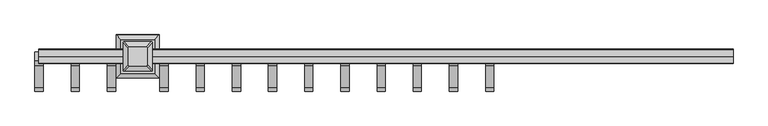
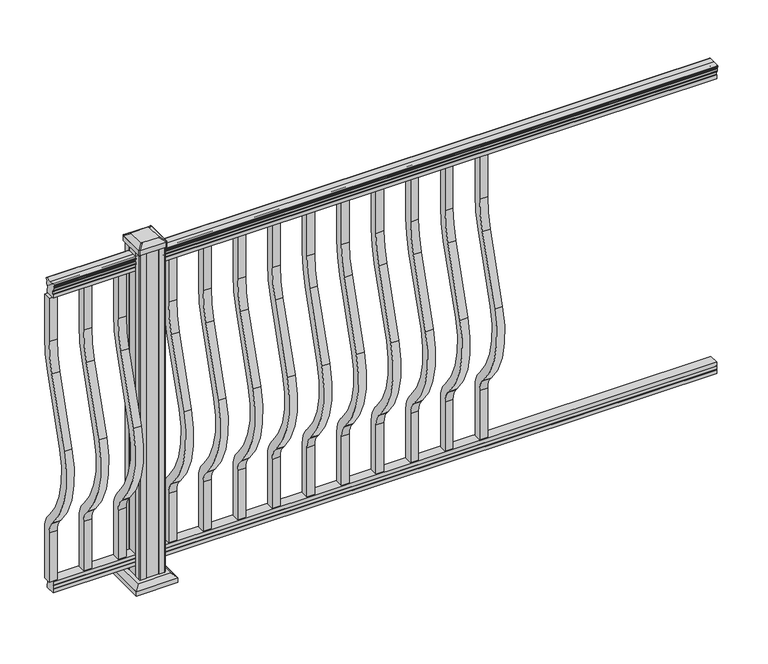
"""IFC4 building model written with IfcOpenShell, lengths in millimetres: railing geometry."""

from ifc_helpers import new_model, si_unit, point, frame, frame_2d, origin, origin_with_axes, place, context, project, spatial, polyline, circle_curve, trimmed, segment, composite_curve, outline, extrude, faceted_brep, source, transform, mapped, element, save
from ifc_brep_helpers import plane_surface, cylinder_surface, revolved_surface, extruded_surface, advanced_brep


def railing_692e8bc5(model_context):
    return source(origin(), model_context, "Body", "SolidModel", [
        advanced_brep(
        [(18974.7598713, -48680.1992427, 1090.8043297), (18974.7598713, -48677.625414, 1090.8043297), (18974.7598713, -48677.625414, 1080.147013), (18974.7598713, -48678.641414, 1079.131013), (18974.7598713, -48678.641414, 1066.8), (18974.7598713, -48646.891414, 1066.8), (18974.7598713, -48646.891414, 1079.2888283), (18974.7598713, -48647.907414, 1080.3048283), (18974.7598713, -48647.907414, 1090.8043297), (18974.7598713, -48645.3335853, 1090.8043297), (18974.7598713, -48645.3335853, 1092.692412), (18974.7598713, -48644.203399, 1094.2546695), (18974.7598713, -48644.203399, 1101.4726458), (18974.7598713, -48644.8526554, 1103.9060812), (18974.7598713, -48642.3526554, 1108.2362083), (18974.7598713, -48640.9433129, 1109.9157972), (18974.7598713, -48640.5414139, 1111.0205318), (18974.7598713, -48640.541414, 1112.3608158), (18974.7598713, -48642.0948612, 1113.914263), (18974.7598713, -48662.766414, 1113.914263), (18974.7598713, -48683.4379668, 1113.914263), (18974.7598713, -48684.991414, 1112.3608158), (18974.7598713, -48684.991414, 1111.0205318), (18974.7598713, -48684.5895151, 1109.9157972), (18974.7598713, -48683.1801726, 1108.2362083), (18974.7598713, -48680.6801726, 1103.9060812), (18974.7598713, -48681.329429, 1101.4726458), (18974.7598713, -48681.329429, 1094.2546695), (18974.7598713, -48680.1992427, 1092.692412), (16841.1598713, -48680.1992427, 1090.8043297), (16841.1598713, -48680.1992427, 1092.692412), (16841.1598713, -48681.329429, 1094.2546695), (16841.1598713, -48681.329429, 1101.4726458), (16841.1598713, -48680.6801726, 1103.9060812), (16841.1598713, -48683.1801726, 1108.2362083), (16841.1598713, -48684.5895151, 1109.9157972), (16841.1598713, -48684.9914141, 1111.0205318), (16841.1598713, -48684.991414, 1112.3608158), (16841.1598713, -48683.4379668, 1113.914263), (16841.1598713, -48662.766414, 1113.914263), (16841.1598713, -48642.0948612, 1113.914263), (16841.1598713, -48640.541414, 1112.3608158), (16841.1598713, -48640.541414, 1111.0205318), (16841.1598713, -48640.9433129, 1109.9157972), (16841.1598713, -48642.3526554, 1108.2362083), (16841.1598713, -48644.8526554, 1103.9060812), (16841.1598713, -48644.203399, 1101.4726458), (16841.1598713, -48644.203399, 1094.2546695), (16841.1598713, -48645.3335853, 1092.692412), (16841.1598713, -48645.3335853, 1090.8043297), (16841.1598713, -48647.907414, 1090.8043297), (16841.1598713, -48647.907414, 1080.3048283), (16841.1598713, -48646.891414, 1079.2888283), (16841.1598713, -48646.891414, 1066.8), (16841.1598713, -48678.641414, 1066.8), (16841.1598713, -48678.641414, 1079.131013), (16841.1598713, -48677.625414, 1080.147013), (16841.1598713, -48677.625414, 1090.8043297)],
        [
            (0, 1, circle_curve(frame((18974.7598713, -48678.9123284, 1090.8043297), z_axis=(1.0, 0.0, 0.0), x_axis=(0.0, 1.0, 0.0)), 1.2869144)),
            (1, 2),
            (2, 3),
            (3, 4),
            (4, 5),
            (5, 6),
            (6, 7),
            (7, 8),
            (8, 9, circle_curve(frame((18974.7598713, -48646.6204996, 1090.8043297), z_axis=(1.0, 0.0, 0.0), x_axis=(0.0, -1.0, 0.0)), 1.2869144)),
            (9, 10),
            (10, 11, circle_curve(frame((18974.7598713, -48651.6483386, 1098.4506383), z_axis=(1.0, 0.0, 0.0), x_axis=(0.0, -1.0, 0.0)), 8.545951)),
            (11, 12, circle_curve(frame((18974.7598713, -48651.2112756, 1097.8636577), z_axis=(1.0, 0.0, 0.0), x_axis=(0.0, -1.0, 0.0)), 7.882584)),
            (12, 13, circle_curve(frame((18974.7598713, -48640.6979515, 1103.7112527), z_axis=(-1.0, 0.0, 0.0), x_axis=(0.0, -1.0, 0.0)), 4.1592695)),
            (13, 14, circle_curve(frame((18974.7598713, -48639.4106449, 1103.6508864), z_axis=(-1.0, 0.0, 0.0), x_axis=(0.0, -1.0, 0.0)), 5.4479907)),
            (14, 15, circle_curve(frame((18974.7598713, -48640.6438033, 1108.233395), z_axis=(-1.0, 0.0, 0.0), x_axis=(0.0, -1.0, 0.0)), 1.7088543)),
            (15, 16, circle_curve(frame((18974.7598713, -48642.2607034, 1111.0205318), z_axis=(1.0, 0.0, 0.0), x_axis=(0.0, -1.0, 0.0)), 1.7192895)),
            (16, 17),
            (17, 18, circle_curve(frame((18974.7598713, -48642.0948612, 1112.3608158), z_axis=(1.0, 0.0, 0.0), x_axis=(0.0, -1.0, 0.0)), 1.5534472)),
            (18, 19),
            (19, 20),
            (20, 21, circle_curve(frame((18974.7598713, -48683.4379668, 1112.3608158), z_axis=(1.0, 0.0, 0.0), x_axis=(0.0, 1.0, 0.0)), 1.5534472)),
            (21, 22),
            (22, 23, circle_curve(frame((18974.7598713, -48683.2721246, 1111.0205318), z_axis=(1.0, 0.0, 0.0), x_axis=(0.0, 1.0, 0.0)), 1.7192895)),
            (23, 24, circle_curve(frame((18974.7598713, -48684.8890247, 1108.233395), z_axis=(-1.0, 0.0, 0.0), x_axis=(0.0, 1.0, 0.0)), 1.7088543)),
            (24, 25, circle_curve(frame((18974.7598713, -48686.1221831, 1103.6508864), z_axis=(-1.0, 0.0, 0.0), x_axis=(0.0, 1.0, 0.0)), 5.4479907)),
            (25, 26, circle_curve(frame((18974.7598713, -48684.8348766, 1103.7112527), z_axis=(-1.0, 0.0, 0.0), x_axis=(0.0, 1.0, 0.0)), 4.1592695)),
            (26, 27, circle_curve(frame((18974.7598713, -48674.3215524, 1097.8636577), z_axis=(1.0, 0.0, 0.0), x_axis=(0.0, 1.0, 0.0)), 7.882584)),
            (27, 28, circle_curve(frame((18974.7598713, -48673.8844895, 1098.4506383), z_axis=(1.0, 0.0, 0.0), x_axis=(0.0, 1.0, 0.0)), 8.545951)),
            (28, 0),
            (29, 30),
            (30, 31, circle_curve(frame((16841.1598713, -48673.8844895, 1098.4506383), z_axis=(-1.0, 0.0, 0.0), x_axis=(0.0, 1.0, 0.0)), 8.545951)),
            (31, 32, circle_curve(frame((16841.1598713, -48674.3215524, 1097.8636577), z_axis=(-1.0, 0.0, 0.0), x_axis=(0.0, 1.0, 0.0)), 7.882584)),
            (32, 33, circle_curve(frame((16841.1598713, -48684.8348766, 1103.7112527), z_axis=(1.0, 0.0, 0.0), x_axis=(0.0, 1.0, 0.0)), 4.1592695)),
            (33, 34, circle_curve(frame((16841.1598713, -48686.1221831, 1103.6508864), z_axis=(1.0, 0.0, 0.0), x_axis=(0.0, 1.0, 0.0)), 5.4479907)),
            (34, 35, circle_curve(frame((16841.1598713, -48684.8890247, 1108.233395), z_axis=(1.0, 0.0, 0.0), x_axis=(0.0, 1.0, 0.0)), 1.7088543)),
            (35, 36, circle_curve(frame((16841.1598713, -48683.2721246, 1111.0205318), z_axis=(-1.0, 0.0, 0.0), x_axis=(0.0, 1.0, 0.0)), 1.7192895)),
            (36, 37),
            (37, 38, circle_curve(frame((16841.1598713, -48683.4379668, 1112.3608158), z_axis=(-1.0, 0.0, 0.0), x_axis=(0.0, 1.0, 0.0)), 1.5534472)),
            (38, 39),
            (39, 40),
            (40, 41, circle_curve(frame((16841.1598713, -48642.0948612, 1112.3608158), z_axis=(-1.0, 0.0, 0.0), x_axis=(0.0, -1.0, 0.0)), 1.5534472)),
            (41, 42),
            (42, 43, circle_curve(frame((16841.1598713, -48642.2607034, 1111.0205318), z_axis=(-1.0, 0.0, 0.0), x_axis=(0.0, -1.0, 0.0)), 1.7192895)),
            (43, 44, circle_curve(frame((16841.1598713, -48640.6438033, 1108.233395), z_axis=(1.0, 0.0, 0.0), x_axis=(0.0, -1.0, 0.0)), 1.7088543)),
            (44, 45, circle_curve(frame((16841.1598713, -48639.4106449, 1103.6508864), z_axis=(1.0, 0.0, 0.0), x_axis=(0.0, -1.0, 0.0)), 5.4479907)),
            (45, 46, circle_curve(frame((16841.1598713, -48640.6979515, 1103.7112527), z_axis=(1.0, 0.0, 0.0), x_axis=(0.0, -1.0, 0.0)), 4.1592695)),
            (46, 47, circle_curve(frame((16841.1598713, -48651.2112756, 1097.8636577), z_axis=(-1.0, 0.0, 0.0), x_axis=(0.0, -1.0, 0.0)), 7.882584)),
            (47, 48, circle_curve(frame((16841.1598713, -48651.6483386, 1098.4506383), z_axis=(-1.0, 0.0, 0.0), x_axis=(0.0, -1.0, 0.0)), 8.545951)),
            (48, 49),
            (49, 50, circle_curve(frame((16841.1598713, -48646.6204996, 1090.8043297), z_axis=(-1.0, 0.0, 0.0), x_axis=(0.0, -1.0, 0.0)), 1.2869144)),
            (50, 51),
            (51, 52),
            (52, 53),
            (53, 54),
            (54, 55),
            (55, 56),
            (56, 57),
            (57, 29, circle_curve(frame((16841.1598713, -48678.9123284, 1090.8043297), z_axis=(-1.0, 0.0, 0.0), x_axis=(0.0, 1.0, 0.0)), 1.2869144)),
            (0, 29),
            (57, 1),
            (56, 2),
            (55, 3),
            (54, 4),
            (53, 5),
            (52, 6),
            (51, 7),
            (50, 8),
            (49, 9),
            (48, 10),
            (47, 11),
            (46, 12),
            (45, 13),
            (44, 14),
            (43, 15),
            (42, 16),
            (41, 17),
            (40, 18),
            (39, 19),
            (38, 20),
            (37, 21),
            (36, 22),
            (35, 23),
            (34, 24),
            (33, 25),
            (32, 26),
            (31, 27),
            (30, 28),
        ],
        [
            plane_surface(frame((18974.7598713, -48662.766414, 1066.8), z_axis=(1.0, 0.0, 0.0), x_axis=(0.0, -1.0, 0.0))),
            plane_surface(frame((16841.1598713, -48662.766414, 1066.8), z_axis=(-1.0, 0.0, 0.0), x_axis=(0.0, -1.0, 0.0))),
            cylinder_surface(frame((18974.7598713, -48678.9123284, 1090.8043297), z_axis=(1.0, 0.0, 0.0), x_axis=(0.0, 1.0, 0.0)), 1.2869144),
            plane_surface(frame((18974.7598713, -48677.625414, 1090.8043297), z_axis=(0.0, -1.0, 0.0), x_axis=(-1.0, 0.0, 0.0))),
            plane_surface(frame((18974.7598713, -48677.625414, 1080.147013), z_axis=(0.0, -0.7071067811865395, 0.7071067811865556), x_axis=(-1.0, 0.0, 0.0))),
            plane_surface(frame((18974.7598713, -48678.641414, 1079.131013), z_axis=(0.0, -1.0, 0.0), x_axis=(-1.0, 0.0, 0.0))),
            plane_surface(frame((18974.7598713, -48678.641414, 1066.8), z_axis=(0.0, 0.0, -1.0), x_axis=(-1.0, 0.0, 0.0))),
            plane_surface(frame((18974.7598713, -48646.891414, 1066.8), z_axis=(0.0, 1.0, 0.0), x_axis=(-1.0, 0.0, 0.0))),
            plane_surface(frame((18974.7598713, -48646.891414, 1079.2888283), z_axis=(0.0, 0.7071067811865432, 0.707106781186552), x_axis=(-1.0, 0.0, 0.0))),
            plane_surface(frame((18974.7598713, -48647.907414, 1080.3048283), z_axis=(0.0, 1.0, 0.0), x_axis=(-1.0, 0.0, 0.0))),
            cylinder_surface(frame((18974.7598713, -48646.6204996, 1090.8043297), z_axis=(1.0, 0.0, 0.0), x_axis=(0.0, -1.0, 0.0)), 1.2869144),
            plane_surface(frame((18974.7598713, -48645.3335853, 1090.8043297), z_axis=(0.0, 1.0, 0.0), x_axis=(-1.0, 0.0, 0.0))),
            cylinder_surface(frame((18974.7598713, -48651.6483386, 1098.4506383), z_axis=(1.0, 0.0, 0.0), x_axis=(0.0, -1.0, 0.0)), 8.545951),
            cylinder_surface(frame((18974.7598713, -48651.2112756, 1097.8636577), z_axis=(1.0, 0.0, 0.0), x_axis=(0.0, -1.0, 0.0)), 7.882584),
            revolved_surface(polyline([(16841.1598713, -48644.857221, 1103.7112527), (18974.7598713, -48644.857221, 1103.7112527)]), (18974.7598713, -48640.6979515, 1103.7112527), (-1.0, 0.0, 0.0)),
            revolved_surface(polyline([(16841.1598713, -48644.8586356, 1103.6508864), (18974.7598713, -48644.8586356, 1103.6508864)]), (18974.7598713, -48639.4106449, 1103.6508864), (-1.0, 0.0, 0.0)),
            revolved_surface(polyline([(16841.1598713, -48642.3526576, 1108.233395), (18974.7598713, -48642.3526576, 1108.233395)]), (18974.7598713, -48640.6438033, 1108.233395), (-1.0, 0.0, 0.0)),
            cylinder_surface(frame((18974.7598713, -48642.2607034, 1111.0205318), z_axis=(1.0, 0.0, 0.0), x_axis=(0.0, -1.0, 0.0)), 1.7192895),
            plane_surface(frame((18974.7598713, -48640.541414, 1111.0205318), z_axis=(0.0, 1.0, 0.0), x_axis=(-1.0, 0.0, 0.0))),
            cylinder_surface(frame((18974.7598713, -48642.0948612, 1112.3608158), z_axis=(1.0, 0.0, 0.0), x_axis=(0.0, -1.0, 0.0)), 1.5534472),
            plane_surface(frame((18974.7598713, -48642.0948612, 1113.914263), z_axis=(0.0, 0.0, 1.0), x_axis=(-1.0, 0.0, 0.0))),
            plane_surface(frame((18974.7598713, -48662.766414, 1113.914263), z_axis=(0.0, 0.0, 1.0), x_axis=(-1.0, 0.0, 0.0))),
            cylinder_surface(frame((18974.7598713, -48683.4379668, 1112.3608158), z_axis=(1.0, 0.0, 0.0), x_axis=(0.0, 1.0, 0.0)), 1.5534472),
            plane_surface(frame((18974.7598713, -48684.991414, 1112.3608158), z_axis=(0.0, -1.0, 0.0), x_axis=(-1.0, 0.0, 0.0))),
            cylinder_surface(frame((18974.7598713, -48683.2721246, 1111.0205318), z_axis=(1.0, 0.0, 0.0), x_axis=(0.0, 1.0, 0.0)), 1.7192895),
            revolved_surface(polyline([(16841.1598713, -48683.1801704, 1108.233395), (18974.7598713, -48683.1801704, 1108.233395)]), (18974.7598713, -48684.8890247, 1108.233395), (-1.0, 0.0, 0.0)),
            revolved_surface(polyline([(16841.1598713, -48680.6741924, 1103.6508864), (18974.7598713, -48680.6741924, 1103.6508864)]), (18974.7598713, -48686.1221831, 1103.6508864), (-1.0, 0.0, 0.0)),
            revolved_surface(polyline([(16841.1598713, -48680.6756071, 1103.7112527), (18974.7598713, -48680.6756071, 1103.7112527)]), (18974.7598713, -48684.8348766, 1103.7112527), (-1.0, 0.0, 0.0)),
            cylinder_surface(frame((18974.7598713, -48674.3215524, 1097.8636577), z_axis=(1.0, 0.0, 0.0), x_axis=(0.0, 1.0, 0.0)), 7.882584),
            cylinder_surface(frame((18974.7598713, -48673.8844895, 1098.4506383), z_axis=(1.0, 0.0, 0.0), x_axis=(0.0, 1.0, 0.0)), 8.545951),
            plane_surface(frame((18974.7598713, -48680.1992427, 1092.692412), z_axis=(0.0, -1.0, 0.0), x_axis=(-1.0, 0.0, 0.0))),
        ],
        [
            (0, [[1, 2, 3, 4, 5, 6, 7, 8, 9, 10, 11, 12, 13, 14, 15, 16, 17, 18, 19, 20, 21, 22, 23, 24, 25, 26, 27, 28, 29]]),
            (1, [[30, 31, 32, 33, 34, 35, 36, 37, 38, 39, 40, 41, 42, 43, 44, 45, 46, 47, 48, 49, 50, 51, 52, 53, 54, 55, 56, 57, 58]]),
            (2, [[-1, 59, -58, 60]]),
            (3, [[-2, -60, -57, 61]]),
            (4, [[-3, -61, -56, 62]]),
            (5, [[-4, -62, -55, 63]]),
            (6, [[-5, -63, -54, 64]]),
            (7, [[-6, -64, -53, 65]]),
            (8, [[-7, -65, -52, 66]]),
            (9, [[-8, -66, -51, 67]]),
            (10, [[-9, -67, -50, 68]]),
            (11, [[-10, -68, -49, 69]]),
            (12, [[-11, -69, -48, 70]]),
            (13, [[-12, -70, -47, 71]]),
            (14, [[-13, -71, -46, 72]]),
            (15, [[-14, -72, -45, 73]]),
            (16, [[-15, -73, -44, 74]]),
            (17, [[-16, -74, -43, 75]]),
            (18, [[-17, -75, -42, 76]]),
            (19, [[-18, -76, -41, 77]]),
            (20, [[-19, -77, -40, 78]]),
            (21, [[-20, -78, -39, 79]]),
            (22, [[-21, -79, -38, 80]]),
            (23, [[-22, -80, -37, 81]]),
            (24, [[-23, -81, -36, 82]]),
            (25, [[-24, -82, -35, 83]]),
            (26, [[-25, -83, -34, 84]]),
            (27, [[-26, -84, -33, 85]]),
            (28, [[-27, -85, -32, 86]]),
            (29, [[-28, -86, -31, 87]]),
            (30, [[-29, -87, -30, -59]]),
        ],
    ),
        faceted_brep([(18974.7598713, -48678.6789009, 76.0541976), (18974.7598713, -48678.6789009, 63.5), (18974.7598713, -48646.9289009, 63.5), (18974.7598713, -48646.9289009, 76.0375508), (18974.7598713, -48647.9449009, 77.3858283), (18974.7598713, -48647.9449009, 87.6975248), (18974.7598713, -48646.9289009, 89.0458024), (18974.7598713, -48646.9289009, 101.5958781), (18974.7598713, -48678.6789009, 101.5958781), (18974.7598713, -48678.6789009, 89.0624492), (18974.7598713, -48677.6629009, 87.7141717), (18974.7598713, -48677.6629009, 77.3546183), (16841.1598713, -48678.6789009, 76.0541976), (16841.1598713, -48677.6629009, 77.3546183), (16841.1598713, -48677.6629009, 87.7141717), (16841.1598713, -48678.6789009, 89.0624492), (16841.1598713, -48678.6789009, 101.5958781), (16841.1598713, -48646.9289009, 101.5958781), (16841.1598713, -48646.9289009, 89.0458024), (16841.1598713, -48647.9449009, 87.6975248), (16841.1598713, -48647.9449009, 77.3858283), (16841.1598713, -48646.9289009, 76.0375508), (16841.1598713, -48646.9289009, 63.5), (16841.1598713, -48678.6789009, 63.5)], [[[0, 1, 2, 3, 4, 5, 6, 7, 8, 9, 10, 11]], [[12, 13, 14, 15, 16, 17, 18, 19, 20, 21, 22, 23]], [[1, 0, 12, 23]], [[2, 1, 23, 22]], [[3, 2, 22, 21]], [[4, 3, 21, 20]], [[5, 4, 20, 19]], [[6, 5, 19, 18]], [[7, 6, 18, 17]], [[8, 7, 17, 16]], [[9, 8, 16, 15]], [[10, 9, 15, 14]], [[11, 10, 14, 13]], [[0, 11, 13, 12]]]),
        extrude(outline(composite_curve([segment(trimmed(circle_curve(frame_2d((-49022.766414, 921.03216)), 372.7), [point((-48650.066414, 921.03216))], [point((-48666.3516315, 812.0652257))], False, "CARTESIAN"), True, "CONTINUOUS"), segment(polyline([(-48666.3516315, 812.0652257), (-48734.1789093, 590.2121964)]), True, "CONTINUOUS"), segment(trimmed(circle_curve(frame_2d((-48478.558648, 512.0612397)), 267.3), [point((-48734.1789093, 590.2121964))], [point((-48677.8736709, 333.9522516))], True, "CARTESIAN"), True, "CONTINUOUS"), segment(polyline([(-48677.8736709, 333.9522516), (-48672.3719976, 327.7955374)]), True, "CONTINUOUS"), segment(trimmed(circle_curve(frame_2d((-48737.766414, 269.3587313)), 87.7), [point((-48672.3719976, 327.7955374))], [point((-48650.066414, 269.3587313))], False, "CARTESIAN"), True, "CONTINUOUS"), segment(polyline([(-48650.066414, 269.3587313), (-48650.066414, 101.5958781), (-48675.466414, 101.5958781), (-48675.466414, 269.3587313)]), True, "CONTINUOUS"), segment(trimmed(circle_curve(frame_2d((-48737.766414, 269.3587313)), 62.3), [point((-48675.466414, 269.3587313))], [point((-48691.3117716, 310.8708524))], True, "CARTESIAN"), True, "CONTINUOUS"), segment(polyline([(-48691.3117716, 310.8708524), (-48696.8134448, 317.0275666)]), True, "CONTINUOUS"), segment(trimmed(circle_curve(frame_2d((-48478.558648, 512.0612397)), 292.7), [point((-48696.8134448, 317.0275666))], [point((-48758.4690501, 597.6384377))], False, "CARTESIAN"), True, "CONTINUOUS"), segment(polyline([(-48758.4690501, 597.6384377), (-48690.6417723, 819.491467)]), True, "CONTINUOUS"), segment(trimmed(circle_curve(frame_2d((-49022.766414, 921.03216)), 347.3), [point((-48690.6417723, 819.491467))], [point((-48675.466414, 921.03216))], True, "CARTESIAN"), True, "CONTINUOUS"), segment(polyline([(-48675.466414, 921.03216), (-48675.466414, 1066.8), (-48650.066414, 1066.8), (-48650.066414, 921.03216)]), True, "CONTINUOUS")], self_intersect=False)), frame((16830.0473713, 0.0, 0.0), z_axis=(1.0, 0.0, 0.0), x_axis=(0.0, 1.0, 0.0)), (0.0, 0.0, 1.0), 25.4),
        extrude(outline(composite_curve([segment(trimmed(circle_curve(frame_2d((-49022.766414, 921.03216)), 372.7), [point((-48650.066414, 921.03216))], [point((-48666.3516315, 812.0652257))], False, "CARTESIAN"), True, "CONTINUOUS"), segment(polyline([(-48666.3516315, 812.0652257), (-48734.1789093, 590.2121964)]), True, "CONTINUOUS"), segment(trimmed(circle_curve(frame_2d((-48478.558648, 512.0612397)), 267.3), [point((-48734.1789093, 590.2121964))], [point((-48677.8736709, 333.9522516))], True, "CARTESIAN"), True, "CONTINUOUS"), segment(polyline([(-48677.8736709, 333.9522516), (-48672.3719976, 327.7955374)]), True, "CONTINUOUS"), segment(trimmed(circle_curve(frame_2d((-48737.766414, 269.3587313)), 87.7), [point((-48672.3719976, 327.7955374))], [point((-48650.066414, 269.3587313))], False, "CARTESIAN"), True, "CONTINUOUS"), segment(polyline([(-48650.066414, 269.3587313), (-48650.066414, 101.5958781), (-48675.466414, 101.5958781), (-48675.466414, 269.3587313)]), True, "CONTINUOUS"), segment(trimmed(circle_curve(frame_2d((-48737.766414, 269.3587313)), 62.3), [point((-48675.466414, 269.3587313))], [point((-48691.3117716, 310.8708524))], True, "CARTESIAN"), True, "CONTINUOUS"), segment(polyline([(-48691.3117716, 310.8708524), (-48696.8134448, 317.0275666)]), True, "CONTINUOUS"), segment(trimmed(circle_curve(frame_2d((-48478.558648, 512.0612397)), 292.7), [point((-48696.8134448, 317.0275666))], [point((-48758.4690501, 597.6384377))], False, "CARTESIAN"), True, "CONTINUOUS"), segment(polyline([(-48758.4690501, 597.6384377), (-48690.6417723, 819.491467)]), True, "CONTINUOUS"), segment(trimmed(circle_curve(frame_2d((-49022.766414, 921.03216)), 347.3), [point((-48690.6417723, 819.491467))], [point((-48675.466414, 921.03216))], True, "CARTESIAN"), True, "CONTINUOUS"), segment(polyline([(-48675.466414, 921.03216), (-48675.466414, 1066.8), (-48650.066414, 1066.8), (-48650.066414, 921.03216)]), True, "CONTINUOUS")], self_intersect=False)), frame((16941.1723713, 0.0, 0.0), z_axis=(1.0, 0.0, 0.0), x_axis=(0.0, 1.0, 0.0)), (0.0, 0.0, 1.0), 25.4),
        extrude(outline(composite_curve([segment(trimmed(circle_curve(frame_2d((-49022.766414, 921.03216)), 372.7), [point((-48650.066414, 921.03216))], [point((-48666.3516315, 812.0652257))], False, "CARTESIAN"), True, "CONTINUOUS"), segment(polyline([(-48666.3516315, 812.0652257), (-48734.1789093, 590.2121964)]), True, "CONTINUOUS"), segment(trimmed(circle_curve(frame_2d((-48478.558648, 512.0612397)), 267.3), [point((-48734.1789093, 590.2121964))], [point((-48677.8736709, 333.9522516))], True, "CARTESIAN"), True, "CONTINUOUS"), segment(polyline([(-48677.8736709, 333.9522516), (-48672.3719976, 327.7955374)]), True, "CONTINUOUS"), segment(trimmed(circle_curve(frame_2d((-48737.766414, 269.3587313)), 87.7), [point((-48672.3719976, 327.7955374))], [point((-48650.066414, 269.3587313))], False, "CARTESIAN"), True, "CONTINUOUS"), segment(polyline([(-48650.066414, 269.3587313), (-48650.066414, 101.5958781), (-48675.466414, 101.5958781), (-48675.466414, 269.3587313)]), True, "CONTINUOUS"), segment(trimmed(circle_curve(frame_2d((-48737.766414, 269.3587313)), 62.3), [point((-48675.466414, 269.3587313))], [point((-48691.3117716, 310.8708524))], True, "CARTESIAN"), True, "CONTINUOUS"), segment(polyline([(-48691.3117716, 310.8708524), (-48696.8134448, 317.0275666)]), True, "CONTINUOUS"), segment(trimmed(circle_curve(frame_2d((-48478.558648, 512.0612397)), 292.7), [point((-48696.8134448, 317.0275666))], [point((-48758.4690501, 597.6384377))], False, "CARTESIAN"), True, "CONTINUOUS"), segment(polyline([(-48758.4690501, 597.6384377), (-48690.6417723, 819.491467)]), True, "CONTINUOUS"), segment(trimmed(circle_curve(frame_2d((-49022.766414, 921.03216)), 347.3), [point((-48690.6417723, 819.491467))], [point((-48675.466414, 921.03216))], True, "CARTESIAN"), True, "CONTINUOUS"), segment(polyline([(-48675.466414, 921.03216), (-48675.466414, 1066.8), (-48650.066414, 1066.8), (-48650.066414, 921.03216)]), True, "CONTINUOUS")], self_intersect=False)), frame((17052.2973713, 0.0, 0.0), z_axis=(1.0, 0.0, 0.0), x_axis=(0.0, 1.0, 0.0)), (0.0, 0.0, 1.0), 25.4),
        faceted_brep([(17198.5458088, -48715.3523515, 28.575), (17198.5458088, -48610.1804765, 28.575), (17093.3739338, -48610.1804765, 28.575), (17093.3739338, -48715.3523515, 28.575), (17212.585262, -48729.3918046, 15.24), (17079.3344807, -48729.3918046, 15.24), (17079.3344807, -48596.1410234, 15.24), (17212.585262, -48596.1410234, 15.24)], [[[0, 1, 2, 3]], [[4, 5, 6, 7]], [[4, 7, 1, 0]], [[7, 6, 2, 1]], [[6, 5, 3, 2]], [[5, 4, 0, 3]]]),
        extrude(outline(polyline([(17212.585262, -48729.3918046), (17079.3344807, -48729.3918046), (17079.3344807, -48596.1410234), (17212.585262, -48596.1410234), (17212.585262, -48729.3918046)])), origin_with_axes(), (0.0, 0.0, 1.0), 15.24),
        advanced_brep(
        [(17174.9317463, -48636.969539, 1165.225), (17171.7567463, -48633.794539, 1165.225), (17120.1629963, -48633.794539, 1165.225), (17116.9879963, -48636.969539, 1165.225), (17116.9879963, -48688.563289, 1165.225), (17120.1629963, -48691.738289, 1165.225), (17171.7567463, -48691.738289, 1165.225), (17174.9317463, -48688.563289, 1165.225), (17191.2036213, -48620.697664, 1153.922), (17191.2036213, -48704.835164, 1153.922), (17188.0286213, -48708.010164, 1153.922), (17103.8911213, -48708.010164, 1153.922), (17100.7161213, -48704.835164, 1153.922), (17100.7161213, -48620.697664, 1153.922), (17103.8911213, -48617.522664, 1153.922), (17188.0286213, -48617.522664, 1153.922)],
        [
            (0, 1, circle_curve(frame((17171.7567463, -48636.969539, 1165.225), z_axis=(0.0, 0.0, 1.0), x_axis=(-1.0, 0.0, 0.0)), 3.175)),
            (1, 2),
            (2, 3, circle_curve(frame((17120.1629963, -48636.969539, 1165.225), z_axis=(0.0, 0.0, 1.0), x_axis=(-1.0, 0.0, 0.0)), 3.175)),
            (3, 4),
            (4, 5, circle_curve(frame((17120.1629963, -48688.563289, 1165.225), z_axis=(0.0, 0.0, 1.0), x_axis=(-1.0, 0.0, 0.0)), 3.175)),
            (5, 6),
            (6, 7, circle_curve(frame((17171.7567463, -48688.563289, 1165.225), z_axis=(0.0, 0.0, 1.0), x_axis=(-1.0, 0.0, 0.0)), 3.175)),
            (7, 0),
            (8, 9),
            (9, 10, circle_curve(frame((17188.0286213, -48704.835164, 1153.922), z_axis=(0.0, 0.0, -1.0), x_axis=(-1.0, 0.0, 0.0)), 3.175)),
            (10, 11),
            (11, 12, circle_curve(frame((17103.8911213, -48704.835164, 1153.922), z_axis=(0.0, 0.0, -1.0), x_axis=(-1.0, 0.0, 0.0)), 3.175)),
            (12, 13),
            (13, 14, circle_curve(frame((17103.8911213, -48620.697664, 1153.922), z_axis=(0.0, 0.0, -1.0), x_axis=(-1.0, 0.0, 0.0)), 3.175)),
            (14, 15),
            (15, 8, circle_curve(frame((17188.0286213, -48620.697664, 1153.922), z_axis=(0.0, 0.0, -1.0), x_axis=(-1.0, 0.0, 0.0)), 3.175)),
            (15, 1),
            (0, 8),
            (14, 2),
            (13, 3),
            (12, 4),
            (11, 5),
            (10, 6),
            (9, 7),
        ],
        [
            plane_surface(frame((17145.9598713, -48662.766414, 1165.225), z_axis=(0.0, 0.0, 1.0), x_axis=(0.0, 1.0, 0.0))),
            plane_surface(frame((17145.9598713, -48662.766414, 1153.922), z_axis=(0.0, 0.0, -1.0), x_axis=(0.0, 1.0, 0.0))),
            extruded_surface(trimmed(circle_curve(frame((17188.0286213, -48620.697664, 1153.922), z_axis=(0.0, 0.0, 1.0), x_axis=(-1.0, 0.0, 0.0)), 3.175), [point((17191.2036213, -48620.697664, 1153.922))], [point((17188.0286213, -48617.522664, 1153.922))], True, "CARTESIAN"), (-16.271874999998545, -16.271874999998545, 11.302999999999884), 25.637972638864262),
            plane_surface(frame((17145.9598713, -48617.522664, 1153.922), z_axis=(0.0, 0.5705009161540777, 0.8212969649690409), x_axis=(-1.0, 0.0, 0.0))),
            extruded_surface(trimmed(circle_curve(frame((17103.8911213, -48620.697664, 1153.922), z_axis=(0.0, 0.0, 1.0), x_axis=(-1.0, 0.0, 0.0)), 3.175), [point((17103.8911213, -48617.522664, 1153.922))], [point((17100.7161213, -48620.697664, 1153.922))], True, "CARTESIAN"), (16.271875000002183, -16.271874999998545, 11.302999999999884), 25.637972638866575),
            plane_surface(frame((17100.7161213, -48662.766414, 1153.922), z_axis=(-0.5705009161540291, 0.0, 0.8212969649690747), x_axis=(0.0, -1.0, 0.0))),
            extruded_surface(trimmed(circle_curve(frame((17103.8911213, -48704.835164, 1153.922), z_axis=(0.0, 0.0, 1.0), x_axis=(-1.0, 0.0, 0.0)), 3.175), [point((17100.7161213, -48704.835164, 1153.922))], [point((17103.8911213, -48708.010164, 1153.922))], True, "CARTESIAN"), (16.271875000002183, 16.271874999998545, 11.302999999999884), 25.637972638866575),
            plane_surface(frame((17145.9598713, -48708.010164, 1153.922), z_axis=(0.0, -0.5705009161540143, 0.821296964969085), x_axis=(1.0, 0.0, 0.0))),
            extruded_surface(trimmed(circle_curve(frame((17188.0286213, -48704.835164, 1153.922), z_axis=(0.0, 0.0, 1.0), x_axis=(-1.0, 0.0, 0.0)), 3.175), [point((17188.0286213, -48708.010164, 1153.922))], [point((17191.2036213, -48704.835164, 1153.922))], True, "CARTESIAN"), (-16.271874999998545, 16.271874999998545, 11.302999999999884), 25.637972638864262),
            plane_surface(frame((17191.2036213, -48662.766414, 1153.922), z_axis=(0.570500916154034, 0.0, 0.8212969649690713), x_axis=(0.0, 1.0, 0.0))),
        ],
        [
            (0, [[1, 2, 3, 4, 5, 6, 7, 8]]),
            (1, [[9, 10, 11, 12, 13, 14, 15, 16]]),
            (2, [[-16, 17, -1, 18]]),
            (3, [[-15, 19, -2, -17]]),
            (4, [[-14, 20, -3, -19]]),
            (5, [[-13, 21, -4, -20]]),
            (6, [[-12, 22, -5, -21]]),
            (7, [[-11, 23, -6, -22]]),
            (8, [[-10, 24, -7, -23]]),
            (9, [[-9, -18, -8, -24]]),
        ],
    ),
        extrude(outline(composite_curve([segment(polyline([(17191.2036213, -48620.697664), (17191.2036213, -48704.835164)]), True, "CONTINUOUS"), segment(trimmed(circle_curve(frame_2d((17188.0286213, -48704.835164)), 3.175), [point((17191.2036213, -48704.835164))], [point((17188.0286213, -48708.010164))], False, "CARTESIAN"), True, "CONTINUOUS"), segment(polyline([(17188.0286213, -48708.010164), (17103.8911213, -48708.010164)]), True, "CONTINUOUS"), segment(trimmed(circle_curve(frame_2d((17103.8911213, -48704.835164)), 3.175), [point((17103.8911213, -48708.010164))], [point((17100.7161213, -48704.835164))], False, "CARTESIAN"), True, "CONTINUOUS"), segment(polyline([(17100.7161213, -48704.835164), (17100.7161213, -48620.697664)]), True, "CONTINUOUS"), segment(trimmed(circle_curve(frame_2d((17103.8911213, -48620.697664)), 3.175), [point((17100.7161213, -48620.697664))], [point((17103.8911213, -48617.522664))], False, "CARTESIAN"), True, "CONTINUOUS"), segment(polyline([(17103.8911213, -48617.522664), (17188.0286213, -48617.522664)]), True, "CONTINUOUS"), segment(trimmed(circle_curve(frame_2d((17188.0286213, -48620.697664)), 3.175), [point((17188.0286213, -48617.522664))], [point((17191.2036213, -48620.697664))], False, "CARTESIAN"), True, "CONTINUOUS")], self_intersect=False)), frame((0.0, 0.0, 1136.65), z_axis=(0.0, 0.0, 1.0), x_axis=(1.0, 0.0, 0.0)), (0.0, 0.0, 1.0), 17.272),
        extrude(outline(polyline([(17187.2348713, -48623.078914), (17187.2348713, -48642.700414), (17185.6473713, -48643.462414), (17185.6473713, -48682.070414), (17187.2348713, -48682.832414), (17187.2348713, -48702.453914), (17185.6473713, -48704.041414), (17166.0258713, -48704.041414), (17165.2638713, -48702.453914), (17126.6558713, -48702.453914), (17125.8938713, -48704.041414), (17106.2723713, -48704.041414), (17104.6848713, -48702.453914), (17104.6848713, -48682.832414), (17106.2723713, -48682.070414), (17106.2723713, -48643.462414), (17104.6848713, -48642.700414), (17104.6848713, -48623.078914), (17106.2723713, -48621.491414), (17125.8938713, -48621.491414), (17126.6558713, -48623.078914), (17165.2638713, -48623.078914), (17166.0258713, -48621.491414), (17185.6473713, -48621.491414), (17187.2348713, -48623.078914)])), origin_with_axes(), (0.0, 0.0, 1.0), 1136.65),
        extrude(outline(composite_curve([segment(trimmed(circle_curve(frame_2d((-49022.766414, 921.03216)), 372.7), [point((-48650.066414, 921.03216))], [point((-48666.3516315, 812.0652257))], False, "CARTESIAN"), True, "CONTINUOUS"), segment(polyline([(-48666.3516315, 812.0652257), (-48734.1789093, 590.2121964)]), True, "CONTINUOUS"), segment(trimmed(circle_curve(frame_2d((-48478.558648, 512.0612397)), 267.3), [point((-48734.1789093, 590.2121964))], [point((-48677.8736709, 333.9522516))], True, "CARTESIAN"), True, "CONTINUOUS"), segment(polyline([(-48677.8736709, 333.9522516), (-48672.3719976, 327.7955374)]), True, "CONTINUOUS"), segment(trimmed(circle_curve(frame_2d((-48737.766414, 269.3587313)), 87.7), [point((-48672.3719976, 327.7955374))], [point((-48650.066414, 269.3587313))], False, "CARTESIAN"), True, "CONTINUOUS"), segment(polyline([(-48650.066414, 269.3587313), (-48650.066414, 101.5958781), (-48675.466414, 101.5958781), (-48675.466414, 269.3587313)]), True, "CONTINUOUS"), segment(trimmed(circle_curve(frame_2d((-48737.766414, 269.3587313)), 62.3), [point((-48675.466414, 269.3587313))], [point((-48691.3117716, 310.8708524))], True, "CARTESIAN"), True, "CONTINUOUS"), segment(polyline([(-48691.3117716, 310.8708524), (-48696.8134448, 317.0275666)]), True, "CONTINUOUS"), segment(trimmed(circle_curve(frame_2d((-48478.558648, 512.0612397)), 292.7), [point((-48696.8134448, 317.0275666))], [point((-48758.4690501, 597.6384377))], False, "CARTESIAN"), True, "CONTINUOUS"), segment(polyline([(-48758.4690501, 597.6384377), (-48690.6417723, 819.491467)]), True, "CONTINUOUS"), segment(trimmed(circle_curve(frame_2d((-49022.766414, 921.03216)), 347.3), [point((-48690.6417723, 819.491467))], [point((-48675.466414, 921.03216))], True, "CARTESIAN"), True, "CONTINUOUS"), segment(polyline([(-48675.466414, 921.03216), (-48675.466414, 1066.8), (-48650.066414, 1066.8), (-48650.066414, 921.03216)]), True, "CONTINUOUS")], self_intersect=False)), frame((17214.2223713, 0.0, 0.0), z_axis=(1.0, 0.0, 0.0), x_axis=(0.0, 1.0, 0.0)), (0.0, 0.0, 1.0), 25.4),
        extrude(outline(composite_curve([segment(trimmed(circle_curve(frame_2d((-49022.766414, 921.03216)), 372.7), [point((-48650.066414, 921.03216))], [point((-48666.3516315, 812.0652257))], False, "CARTESIAN"), True, "CONTINUOUS"), segment(polyline([(-48666.3516315, 812.0652257), (-48734.1789093, 590.2121964)]), True, "CONTINUOUS"), segment(trimmed(circle_curve(frame_2d((-48478.558648, 512.0612397)), 267.3), [point((-48734.1789093, 590.2121964))], [point((-48677.8736709, 333.9522516))], True, "CARTESIAN"), True, "CONTINUOUS"), segment(polyline([(-48677.8736709, 333.9522516), (-48672.3719976, 327.7955374)]), True, "CONTINUOUS"), segment(trimmed(circle_curve(frame_2d((-48737.766414, 269.3587313)), 87.7), [point((-48672.3719976, 327.7955374))], [point((-48650.066414, 269.3587313))], False, "CARTESIAN"), True, "CONTINUOUS"), segment(polyline([(-48650.066414, 269.3587313), (-48650.066414, 101.5958781), (-48675.466414, 101.5958781), (-48675.466414, 269.3587313)]), True, "CONTINUOUS"), segment(trimmed(circle_curve(frame_2d((-48737.766414, 269.3587313)), 62.3), [point((-48675.466414, 269.3587313))], [point((-48691.3117716, 310.8708524))], True, "CARTESIAN"), True, "CONTINUOUS"), segment(polyline([(-48691.3117716, 310.8708524), (-48696.8134448, 317.0275666)]), True, "CONTINUOUS"), segment(trimmed(circle_curve(frame_2d((-48478.558648, 512.0612397)), 292.7), [point((-48696.8134448, 317.0275666))], [point((-48758.4690501, 597.6384377))], False, "CARTESIAN"), True, "CONTINUOUS"), segment(polyline([(-48758.4690501, 597.6384377), (-48690.6417723, 819.491467)]), True, "CONTINUOUS"), segment(trimmed(circle_curve(frame_2d((-49022.766414, 921.03216)), 347.3), [point((-48690.6417723, 819.491467))], [point((-48675.466414, 921.03216))], True, "CARTESIAN"), True, "CONTINUOUS"), segment(polyline([(-48675.466414, 921.03216), (-48675.466414, 1066.8), (-48650.066414, 1066.8), (-48650.066414, 921.03216)]), True, "CONTINUOUS")], self_intersect=False)), frame((17325.3473713, 0.0, 0.0), z_axis=(1.0, 0.0, 0.0), x_axis=(0.0, 1.0, 0.0)), (0.0, 0.0, 1.0), 25.4),
        extrude(outline(composite_curve([segment(trimmed(circle_curve(frame_2d((-49022.766414, 921.03216)), 372.7), [point((-48650.066414, 921.03216))], [point((-48666.3516315, 812.0652257))], False, "CARTESIAN"), True, "CONTINUOUS"), segment(polyline([(-48666.3516315, 812.0652257), (-48734.1789093, 590.2121964)]), True, "CONTINUOUS"), segment(trimmed(circle_curve(frame_2d((-48478.558648, 512.0612397)), 267.3), [point((-48734.1789093, 590.2121964))], [point((-48677.8736709, 333.9522516))], True, "CARTESIAN"), True, "CONTINUOUS"), segment(polyline([(-48677.8736709, 333.9522516), (-48672.3719976, 327.7955374)]), True, "CONTINUOUS"), segment(trimmed(circle_curve(frame_2d((-48737.766414, 269.3587313)), 87.7), [point((-48672.3719976, 327.7955374))], [point((-48650.066414, 269.3587313))], False, "CARTESIAN"), True, "CONTINUOUS"), segment(polyline([(-48650.066414, 269.3587313), (-48650.066414, 101.5958781), (-48675.466414, 101.5958781), (-48675.466414, 269.3587313)]), True, "CONTINUOUS"), segment(trimmed(circle_curve(frame_2d((-48737.766414, 269.3587313)), 62.3), [point((-48675.466414, 269.3587313))], [point((-48691.3117716, 310.8708524))], True, "CARTESIAN"), True, "CONTINUOUS"), segment(polyline([(-48691.3117716, 310.8708524), (-48696.8134448, 317.0275666)]), True, "CONTINUOUS"), segment(trimmed(circle_curve(frame_2d((-48478.558648, 512.0612397)), 292.7), [point((-48696.8134448, 317.0275666))], [point((-48758.4690501, 597.6384377))], False, "CARTESIAN"), True, "CONTINUOUS"), segment(polyline([(-48758.4690501, 597.6384377), (-48690.6417723, 819.491467)]), True, "CONTINUOUS"), segment(trimmed(circle_curve(frame_2d((-49022.766414, 921.03216)), 347.3), [point((-48690.6417723, 819.491467))], [point((-48675.466414, 921.03216))], True, "CARTESIAN"), True, "CONTINUOUS"), segment(polyline([(-48675.466414, 921.03216), (-48675.466414, 1066.8), (-48650.066414, 1066.8), (-48650.066414, 921.03216)]), True, "CONTINUOUS")], self_intersect=False)), frame((17436.4723713, 0.0, 0.0), z_axis=(1.0, 0.0, 0.0), x_axis=(0.0, 1.0, 0.0)), (0.0, 0.0, 1.0), 25.4),
        extrude(outline(composite_curve([segment(trimmed(circle_curve(frame_2d((-49022.766414, 921.03216)), 372.7), [point((-48650.066414, 921.03216))], [point((-48666.3516315, 812.0652257))], False, "CARTESIAN"), True, "CONTINUOUS"), segment(polyline([(-48666.3516315, 812.0652257), (-48734.1789093, 590.2121964)]), True, "CONTINUOUS"), segment(trimmed(circle_curve(frame_2d((-48478.558648, 512.0612397)), 267.3), [point((-48734.1789093, 590.2121964))], [point((-48677.8736709, 333.9522516))], True, "CARTESIAN"), True, "CONTINUOUS"), segment(polyline([(-48677.8736709, 333.9522516), (-48672.3719976, 327.7955374)]), True, "CONTINUOUS"), segment(trimmed(circle_curve(frame_2d((-48737.766414, 269.3587313)), 87.7), [point((-48672.3719976, 327.7955374))], [point((-48650.066414, 269.3587313))], False, "CARTESIAN"), True, "CONTINUOUS"), segment(polyline([(-48650.066414, 269.3587313), (-48650.066414, 101.5958781), (-48675.466414, 101.5958781), (-48675.466414, 269.3587313)]), True, "CONTINUOUS"), segment(trimmed(circle_curve(frame_2d((-48737.766414, 269.3587313)), 62.3), [point((-48675.466414, 269.3587313))], [point((-48691.3117716, 310.8708524))], True, "CARTESIAN"), True, "CONTINUOUS"), segment(polyline([(-48691.3117716, 310.8708524), (-48696.8134448, 317.0275666)]), True, "CONTINUOUS"), segment(trimmed(circle_curve(frame_2d((-48478.558648, 512.0612397)), 292.7), [point((-48696.8134448, 317.0275666))], [point((-48758.4690501, 597.6384377))], False, "CARTESIAN"), True, "CONTINUOUS"), segment(polyline([(-48758.4690501, 597.6384377), (-48690.6417723, 819.491467)]), True, "CONTINUOUS"), segment(trimmed(circle_curve(frame_2d((-49022.766414, 921.03216)), 347.3), [point((-48690.6417723, 819.491467))], [point((-48675.466414, 921.03216))], True, "CARTESIAN"), True, "CONTINUOUS"), segment(polyline([(-48675.466414, 921.03216), (-48675.466414, 1066.8), (-48650.066414, 1066.8), (-48650.066414, 921.03216)]), True, "CONTINUOUS")], self_intersect=False)), frame((17547.5973713, 0.0, 0.0), z_axis=(1.0, 0.0, 0.0), x_axis=(0.0, 1.0, 0.0)), (0.0, 0.0, 1.0), 25.4),
        extrude(outline(composite_curve([segment(trimmed(circle_curve(frame_2d((-49022.766414, 921.03216)), 372.7), [point((-48650.066414, 921.03216))], [point((-48666.3516315, 812.0652257))], False, "CARTESIAN"), True, "CONTINUOUS"), segment(polyline([(-48666.3516315, 812.0652257), (-48734.1789093, 590.2121964)]), True, "CONTINUOUS"), segment(trimmed(circle_curve(frame_2d((-48478.558648, 512.0612397)), 267.3), [point((-48734.1789093, 590.2121964))], [point((-48677.8736709, 333.9522516))], True, "CARTESIAN"), True, "CONTINUOUS"), segment(polyline([(-48677.8736709, 333.9522516), (-48672.3719976, 327.7955374)]), True, "CONTINUOUS"), segment(trimmed(circle_curve(frame_2d((-48737.766414, 269.3587313)), 87.7), [point((-48672.3719976, 327.7955374))], [point((-48650.066414, 269.3587313))], False, "CARTESIAN"), True, "CONTINUOUS"), segment(polyline([(-48650.066414, 269.3587313), (-48650.066414, 101.5958781), (-48675.466414, 101.5958781), (-48675.466414, 269.3587313)]), True, "CONTINUOUS"), segment(trimmed(circle_curve(frame_2d((-48737.766414, 269.3587313)), 62.3), [point((-48675.466414, 269.3587313))], [point((-48691.3117716, 310.8708524))], True, "CARTESIAN"), True, "CONTINUOUS"), segment(polyline([(-48691.3117716, 310.8708524), (-48696.8134448, 317.0275666)]), True, "CONTINUOUS"), segment(trimmed(circle_curve(frame_2d((-48478.558648, 512.0612397)), 292.7), [point((-48696.8134448, 317.0275666))], [point((-48758.4690501, 597.6384377))], False, "CARTESIAN"), True, "CONTINUOUS"), segment(polyline([(-48758.4690501, 597.6384377), (-48690.6417723, 819.491467)]), True, "CONTINUOUS"), segment(trimmed(circle_curve(frame_2d((-49022.766414, 921.03216)), 347.3), [point((-48690.6417723, 819.491467))], [point((-48675.466414, 921.03216))], True, "CARTESIAN"), True, "CONTINUOUS"), segment(polyline([(-48675.466414, 921.03216), (-48675.466414, 1066.8), (-48650.066414, 1066.8), (-48650.066414, 921.03216)]), True, "CONTINUOUS")], self_intersect=False)), frame((17658.7223713, 0.0, 0.0), z_axis=(1.0, 0.0, 0.0), x_axis=(0.0, 1.0, 0.0)), (0.0, 0.0, 1.0), 25.4),
        extrude(outline(composite_curve([segment(trimmed(circle_curve(frame_2d((-49022.766414, 921.03216)), 372.7), [point((-48650.066414, 921.03216))], [point((-48666.3516315, 812.0652257))], False, "CARTESIAN"), True, "CONTINUOUS"), segment(polyline([(-48666.3516315, 812.0652257), (-48734.1789093, 590.2121964)]), True, "CONTINUOUS"), segment(trimmed(circle_curve(frame_2d((-48478.558648, 512.0612397)), 267.3), [point((-48734.1789093, 590.2121964))], [point((-48677.8736709, 333.9522516))], True, "CARTESIAN"), True, "CONTINUOUS"), segment(polyline([(-48677.8736709, 333.9522516), (-48672.3719976, 327.7955374)]), True, "CONTINUOUS"), segment(trimmed(circle_curve(frame_2d((-48737.766414, 269.3587313)), 87.7), [point((-48672.3719976, 327.7955374))], [point((-48650.066414, 269.3587313))], False, "CARTESIAN"), True, "CONTINUOUS"), segment(polyline([(-48650.066414, 269.3587313), (-48650.066414, 101.5958781), (-48675.466414, 101.5958781), (-48675.466414, 269.3587313)]), True, "CONTINUOUS"), segment(trimmed(circle_curve(frame_2d((-48737.766414, 269.3587313)), 62.3), [point((-48675.466414, 269.3587313))], [point((-48691.3117716, 310.8708524))], True, "CARTESIAN"), True, "CONTINUOUS"), segment(polyline([(-48691.3117716, 310.8708524), (-48696.8134448, 317.0275666)]), True, "CONTINUOUS"), segment(trimmed(circle_curve(frame_2d((-48478.558648, 512.0612397)), 292.7), [point((-48696.8134448, 317.0275666))], [point((-48758.4690501, 597.6384377))], False, "CARTESIAN"), True, "CONTINUOUS"), segment(polyline([(-48758.4690501, 597.6384377), (-48690.6417723, 819.491467)]), True, "CONTINUOUS"), segment(trimmed(circle_curve(frame_2d((-49022.766414, 921.03216)), 347.3), [point((-48690.6417723, 819.491467))], [point((-48675.466414, 921.03216))], True, "CARTESIAN"), True, "CONTINUOUS"), segment(polyline([(-48675.466414, 921.03216), (-48675.466414, 1066.8), (-48650.066414, 1066.8), (-48650.066414, 921.03216)]), True, "CONTINUOUS")], self_intersect=False)), frame((17769.8473713, 0.0, 0.0), z_axis=(1.0, 0.0, 0.0), x_axis=(0.0, 1.0, 0.0)), (0.0, 0.0, 1.0), 25.4),
        extrude(outline(composite_curve([segment(trimmed(circle_curve(frame_2d((-49022.766414, 921.03216)), 372.7), [point((-48650.066414, 921.03216))], [point((-48666.3516315, 812.0652257))], False, "CARTESIAN"), True, "CONTINUOUS"), segment(polyline([(-48666.3516315, 812.0652257), (-48734.1789093, 590.2121964)]), True, "CONTINUOUS"), segment(trimmed(circle_curve(frame_2d((-48478.558648, 512.0612397)), 267.3), [point((-48734.1789093, 590.2121964))], [point((-48677.8736709, 333.9522516))], True, "CARTESIAN"), True, "CONTINUOUS"), segment(polyline([(-48677.8736709, 333.9522516), (-48672.3719976, 327.7955374)]), True, "CONTINUOUS"), segment(trimmed(circle_curve(frame_2d((-48737.766414, 269.3587313)), 87.7), [point((-48672.3719976, 327.7955374))], [point((-48650.066414, 269.3587313))], False, "CARTESIAN"), True, "CONTINUOUS"), segment(polyline([(-48650.066414, 269.3587313), (-48650.066414, 101.5958781), (-48675.466414, 101.5958781), (-48675.466414, 269.3587313)]), True, "CONTINUOUS"), segment(trimmed(circle_curve(frame_2d((-48737.766414, 269.3587313)), 62.3), [point((-48675.466414, 269.3587313))], [point((-48691.3117716, 310.8708524))], True, "CARTESIAN"), True, "CONTINUOUS"), segment(polyline([(-48691.3117716, 310.8708524), (-48696.8134448, 317.0275666)]), True, "CONTINUOUS"), segment(trimmed(circle_curve(frame_2d((-48478.558648, 512.0612397)), 292.7), [point((-48696.8134448, 317.0275666))], [point((-48758.4690501, 597.6384377))], False, "CARTESIAN"), True, "CONTINUOUS"), segment(polyline([(-48758.4690501, 597.6384377), (-48690.6417723, 819.491467)]), True, "CONTINUOUS"), segment(trimmed(circle_curve(frame_2d((-49022.766414, 921.03216)), 347.3), [point((-48690.6417723, 819.491467))], [point((-48675.466414, 921.03216))], True, "CARTESIAN"), True, "CONTINUOUS"), segment(polyline([(-48675.466414, 921.03216), (-48675.466414, 1066.8), (-48650.066414, 1066.8), (-48650.066414, 921.03216)]), True, "CONTINUOUS")], self_intersect=False)), frame((17880.9723713, 0.0, 0.0), z_axis=(1.0, 0.0, 0.0), x_axis=(0.0, 1.0, 0.0)), (0.0, 0.0, 1.0), 25.4),
        extrude(outline(composite_curve([segment(trimmed(circle_curve(frame_2d((-49022.766414, 921.03216)), 372.7), [point((-48650.066414, 921.03216))], [point((-48666.3516315, 812.0652257))], False, "CARTESIAN"), True, "CONTINUOUS"), segment(polyline([(-48666.3516315, 812.0652257), (-48734.1789093, 590.2121964)]), True, "CONTINUOUS"), segment(trimmed(circle_curve(frame_2d((-48478.558648, 512.0612397)), 267.3), [point((-48734.1789093, 590.2121964))], [point((-48677.8736709, 333.9522516))], True, "CARTESIAN"), True, "CONTINUOUS"), segment(polyline([(-48677.8736709, 333.9522516), (-48672.3719976, 327.7955374)]), True, "CONTINUOUS"), segment(trimmed(circle_curve(frame_2d((-48737.766414, 269.3587313)), 87.7), [point((-48672.3719976, 327.7955374))], [point((-48650.066414, 269.3587313))], False, "CARTESIAN"), True, "CONTINUOUS"), segment(polyline([(-48650.066414, 269.3587313), (-48650.066414, 101.5958781), (-48675.466414, 101.5958781), (-48675.466414, 269.3587313)]), True, "CONTINUOUS"), segment(trimmed(circle_curve(frame_2d((-48737.766414, 269.3587313)), 62.3), [point((-48675.466414, 269.3587313))], [point((-48691.3117716, 310.8708524))], True, "CARTESIAN"), True, "CONTINUOUS"), segment(polyline([(-48691.3117716, 310.8708524), (-48696.8134448, 317.0275666)]), True, "CONTINUOUS"), segment(trimmed(circle_curve(frame_2d((-48478.558648, 512.0612397)), 292.7), [point((-48696.8134448, 317.0275666))], [point((-48758.4690501, 597.6384377))], False, "CARTESIAN"), True, "CONTINUOUS"), segment(polyline([(-48758.4690501, 597.6384377), (-48690.6417723, 819.491467)]), True, "CONTINUOUS"), segment(trimmed(circle_curve(frame_2d((-49022.766414, 921.03216)), 347.3), [point((-48690.6417723, 819.491467))], [point((-48675.466414, 921.03216))], True, "CARTESIAN"), True, "CONTINUOUS"), segment(polyline([(-48675.466414, 921.03216), (-48675.466414, 1066.8), (-48650.066414, 1066.8), (-48650.066414, 921.03216)]), True, "CONTINUOUS")], self_intersect=False)), frame((17992.0973713, 0.0, 0.0), z_axis=(1.0, 0.0, 0.0), x_axis=(0.0, 1.0, 0.0)), (0.0, 0.0, 1.0), 25.4),
        extrude(outline(composite_curve([segment(trimmed(circle_curve(frame_2d((-49022.766414, 921.03216)), 372.7), [point((-48650.066414, 921.03216))], [point((-48666.3516315, 812.0652257))], False, "CARTESIAN"), True, "CONTINUOUS"), segment(polyline([(-48666.3516315, 812.0652257), (-48734.1789093, 590.2121964)]), True, "CONTINUOUS"), segment(trimmed(circle_curve(frame_2d((-48478.558648, 512.0612397)), 267.3), [point((-48734.1789093, 590.2121964))], [point((-48677.8736709, 333.9522516))], True, "CARTESIAN"), True, "CONTINUOUS"), segment(polyline([(-48677.8736709, 333.9522516), (-48672.3719976, 327.7955374)]), True, "CONTINUOUS"), segment(trimmed(circle_curve(frame_2d((-48737.766414, 269.3587313)), 87.7), [point((-48672.3719976, 327.7955374))], [point((-48650.066414, 269.3587313))], False, "CARTESIAN"), True, "CONTINUOUS"), segment(polyline([(-48650.066414, 269.3587313), (-48650.066414, 101.5958781), (-48675.466414, 101.5958781), (-48675.466414, 269.3587313)]), True, "CONTINUOUS"), segment(trimmed(circle_curve(frame_2d((-48737.766414, 269.3587313)), 62.3), [point((-48675.466414, 269.3587313))], [point((-48691.3117716, 310.8708524))], True, "CARTESIAN"), True, "CONTINUOUS"), segment(polyline([(-48691.3117716, 310.8708524), (-48696.8134448, 317.0275666)]), True, "CONTINUOUS"), segment(trimmed(circle_curve(frame_2d((-48478.558648, 512.0612397)), 292.7), [point((-48696.8134448, 317.0275666))], [point((-48758.4690501, 597.6384377))], False, "CARTESIAN"), True, "CONTINUOUS"), segment(polyline([(-48758.4690501, 597.6384377), (-48690.6417723, 819.491467)]), True, "CONTINUOUS"), segment(trimmed(circle_curve(frame_2d((-49022.766414, 921.03216)), 347.3), [point((-48690.6417723, 819.491467))], [point((-48675.466414, 921.03216))], True, "CARTESIAN"), True, "CONTINUOUS"), segment(polyline([(-48675.466414, 921.03216), (-48675.466414, 1066.8), (-48650.066414, 1066.8), (-48650.066414, 921.03216)]), True, "CONTINUOUS")], self_intersect=False)), frame((18103.2223713, 0.0, 0.0), z_axis=(1.0, 0.0, 0.0), x_axis=(0.0, 1.0, 0.0)), (0.0, 0.0, 1.0), 25.4),
        extrude(outline(composite_curve([segment(trimmed(circle_curve(frame_2d((-49022.766414, 921.03216)), 372.7), [point((-48650.066414, 921.03216))], [point((-48666.3516315, 812.0652257))], False, "CARTESIAN"), True, "CONTINUOUS"), segment(polyline([(-48666.3516315, 812.0652257), (-48734.1789093, 590.2121964)]), True, "CONTINUOUS"), segment(trimmed(circle_curve(frame_2d((-48478.558648, 512.0612397)), 267.3), [point((-48734.1789093, 590.2121964))], [point((-48677.8736709, 333.9522516))], True, "CARTESIAN"), True, "CONTINUOUS"), segment(polyline([(-48677.8736709, 333.9522516), (-48672.3719976, 327.7955374)]), True, "CONTINUOUS"), segment(trimmed(circle_curve(frame_2d((-48737.766414, 269.3587313)), 87.7), [point((-48672.3719976, 327.7955374))], [point((-48650.066414, 269.3587313))], False, "CARTESIAN"), True, "CONTINUOUS"), segment(polyline([(-48650.066414, 269.3587313), (-48650.066414, 101.5958781), (-48675.466414, 101.5958781), (-48675.466414, 269.3587313)]), True, "CONTINUOUS"), segment(trimmed(circle_curve(frame_2d((-48737.766414, 269.3587313)), 62.3), [point((-48675.466414, 269.3587313))], [point((-48691.3117716, 310.8708524))], True, "CARTESIAN"), True, "CONTINUOUS"), segment(polyline([(-48691.3117716, 310.8708524), (-48696.8134448, 317.0275666)]), True, "CONTINUOUS"), segment(trimmed(circle_curve(frame_2d((-48478.558648, 512.0612397)), 292.7), [point((-48696.8134448, 317.0275666))], [point((-48758.4690501, 597.6384377))], False, "CARTESIAN"), True, "CONTINUOUS"), segment(polyline([(-48758.4690501, 597.6384377), (-48690.6417723, 819.491467)]), True, "CONTINUOUS"), segment(trimmed(circle_curve(frame_2d((-49022.766414, 921.03216)), 347.3), [point((-48690.6417723, 819.491467))], [point((-48675.466414, 921.03216))], True, "CARTESIAN"), True, "CONTINUOUS"), segment(polyline([(-48675.466414, 921.03216), (-48675.466414, 1066.8), (-48650.066414, 1066.8), (-48650.066414, 921.03216)]), True, "CONTINUOUS")], self_intersect=False)), frame((18214.3473713, 0.0, 0.0), z_axis=(1.0, 0.0, 0.0), x_axis=(0.0, 1.0, 0.0)), (0.0, 0.0, 1.0), 25.4),
    ])


if __name__ == "__main__":
    model = new_model("IFC4")
    model_context = context("Model", 3, world=origin())
    ifc_project = project(units=[si_unit("LENGTHUNIT", "METRE", prefix="MILLI")], contexts=[model_context])
    site = spatial("IfcSite", under=ifc_project)
    building = spatial("IfcBuilding", under=site)
    placement = place(None, origin())
    railing_shape = railing_692e8bc5(model_context)
    element("IfcRailing", 1, at=placement, inside=building, context=model_context, shape_type="MappedRepresentation", body=[
        mapped(railing_shape, transform((0.0, 0.0, 0.0), x_axis=(1.0, 0.0, 0.0), y_axis=(0.0, 1.0, 0.0), z_axis=(0.0, 0.0, 1.0))),
    ])
    save(model, "model.ifc")
